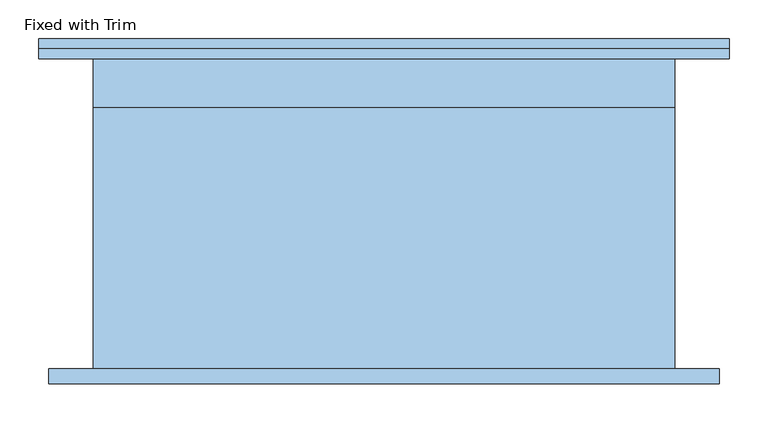
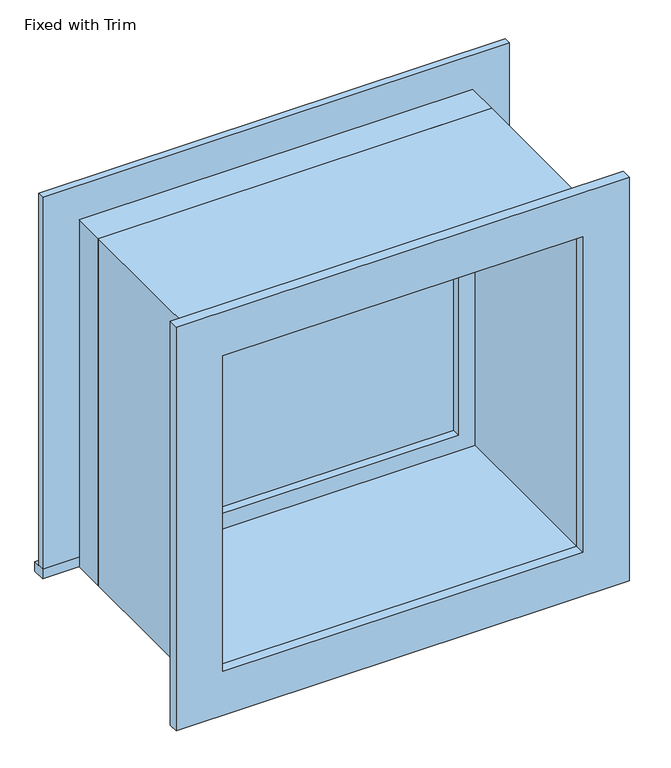
"""IFC4 building model written with IfcOpenShell, lengths in millimetres: window geometry, Fixed with Trim."""

from ifc_helpers import new_model, si_unit, frame, origin, place, context, project, spatial, polyline, outline, extrude, source, transform, mapped, element, save


def fixed_with_trim_efe55229(model_context):
    return source(origin(), model_context, "Body", "SweptSolid", [
        extrude(outline(polyline([(-482.95, 225.4), (406.75, 225.4), (406.75, 200.0), (-482.95, 200.0), (-482.95, 225.4)])), frame((0.0, 0.0, 914.4), z_axis=(0.0, 0.0, 1.0), x_axis=(1.0, 0.0, 0.0)), (0.0, 0.0, 1.0), 19.05),
        extrude(outline(polyline([(1595.35, -394.05), (1595.35, 317.85), (933.45, 317.85), (933.45, 406.75), (1684.25, 406.75), (1684.25, -482.95), (933.45, -482.95), (933.45, -394.05), (1595.35, -394.05)])), frame((0.0, 200.0, 0.0), z_axis=(0.0, 1.0, 0.0), x_axis=(0.0, 0.0, 1.0)), (0.0, 0.0, 1.0), 12.7),
        extrude(outline(polyline([(1671.55, 394.05), (1671.55, -470.25), (857.25, -470.25), (857.25, 394.05), (1671.55, 394.05)]), holes=[polyline([(1582.65, 305.15), (946.15, 305.15), (946.15, -381.35), (1582.65, -381.35), (1582.65, 305.15)])]), frame((0.0, -219.05, 0.0), z_axis=(0.0, 1.0, 0.0), x_axis=(0.0, 0.0, 1.0)), (0.0, 0.0, 1.0), 19.05),
        extrude(outline(polyline([(273.4, 152.375), (-349.6, 152.375), (-349.6, 165.075), (273.4, 165.075), (273.4, 152.375)])), frame((0.0, 0.0, 977.9), z_axis=(0.0, 0.0, 1.0), x_axis=(1.0, 0.0, 0.0)), (0.0, 0.0, 1.0), 573.0),
        extrude(outline(polyline([(1595.35, -394.05), (933.45, -394.05), (933.45, 317.85), (1595.35, 317.85), (1595.35, -394.05)]), holes=[polyline([(1550.9, -349.6), (1550.9, 273.4), (977.9, 273.4), (977.9, -349.6), (1550.9, -349.6)])]), frame((0.0, 136.5, 0.0), z_axis=(0.0, 1.0, 0.0), x_axis=(0.0, 0.0, 1.0)), (0.0, 0.0, 1.0), 44.45),
        extrude(outline(polyline([(1614.4, -413.1), (914.4, -413.1), (914.4, 336.9), (1614.4, 336.9), (1614.4, -413.1)]), holes=[polyline([(1582.65, -381.35), (1582.65, 305.15), (946.15, 305.15), (946.15, -381.35), (1582.65, -381.35)])]), frame((0.0, -200.0, 0.0), z_axis=(0.0, 1.0, 0.0), x_axis=(0.0, 0.0, 1.0)), (0.0, 0.0, 1.0), 336.5),
        extrude(outline(polyline([(1614.4, 336.9), (1614.4, -413.1), (914.4, -413.1), (914.4, 336.9), (1614.4, 336.9)]), holes=[polyline([(1595.35, 317.85), (933.45, 317.85), (933.45, -394.05), (1595.35, -394.05), (1595.35, 317.85)])]), frame((0.0, 136.5, 0.0), z_axis=(0.0, 1.0, 0.0), x_axis=(0.0, 0.0, 1.0)), (0.0, 0.0, 1.0), 63.5),
    ])


if __name__ == "__main__":
    model = new_model("IFC4")
    model_context = context("Model", 3, world=origin())
    ifc_project = project(units=[si_unit("LENGTHUNIT", "METRE", prefix="MILLI")], contexts=[model_context])
    site = spatial("IfcSite", under=ifc_project)
    building = spatial("IfcBuilding", under=site)
    placement = place(None, origin())
    fixed_with_trim_shape = fixed_with_trim_efe55229(model_context)
    element("IfcWindow", 1, ObjectType="Fixed with Trim", at=placement, inside=building, context=model_context, shape_type="MappedRepresentation", body=[
        mapped(fixed_with_trim_shape, transform((0.0, 0.0, 0.0), x_axis=(1.0, 0.0, 0.0), y_axis=(0.0, 1.0, 0.0), z_axis=(0.0, 0.0, 1.0))),
    ])
    save(model, "model.ifc")
